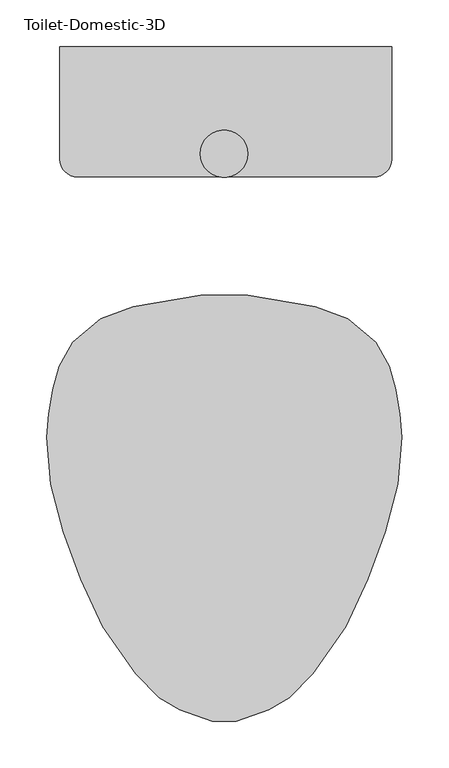
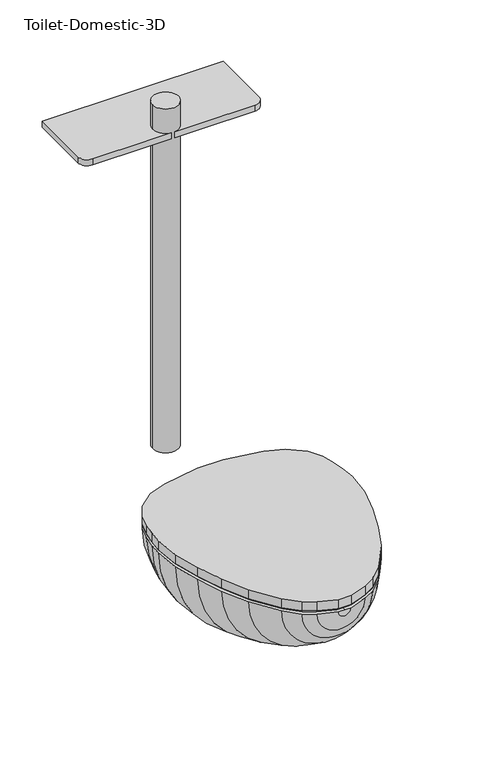
"""IFC4 building model written with IfcOpenShell, lengths in millimetres: flow terminal geometry, Toilet-Domestic-3D."""

from ifc_helpers import new_model, si_unit, point, frame, frame_2d, origin, place, context, project, spatial, polyline, circle_curve, trimmed, segment, composite_curve, outline, extrude, faceted_brep, source, transform, mapped, element, save
from ifc_brep_helpers import plane_surface, revolved_surface, advanced_brep


def toilet_domestic_3d_839705fe(model_context):
    return source(origin(), model_context, "Body", "SolidModel", [
        advanced_brep(
        [(-25.4, 152.4, 361.95), (-97.4252791, 139.7, 361.95), (-132.3182423, 127.0, 361.95), (-162.5887836, 101.6, 361.95), (-176.9845865, 76.2, 361.95), (-183.790496, 50.8, 361.95), (-188.2862441, 25.3033453, 361.95), (-190.5, 0.0, 361.95), (-186.0724883, -50.6066907, 361.95), (-172.4088722, -101.6, 361.95), (-153.9191843, -152.4, 361.95), (-130.2307553, -203.2, 361.95), (-94.9900085, -254.0, 361.95), (-69.5900085, -279.4, 361.95), (-47.5929632, -292.1, 361.95), (-12.7, -304.8, 361.95), (0.0, -304.8, 361.95), (0.0, -284.592034, 361.95), (-12.5224565, -284.592034, 361.95), (-39.5113323, -274.7688865, 361.95), (-58.4178985, -263.8531754, 361.95), (-79.2146703, -243.0564036, 361.95), (-114.0255101, -192.8761202, 361.95), (-136.654021, -144.3491221, 361.95), (-154.575847, -95.1093097, 361.95), (-167.7238545, -46.0402777, 361.95), (-171.5645445, -2.1409906, 361.95), (-169.3087351, 23.6430284, 361.95), (-165.101298, 47.5045901, 361.95), (-159.5484355, 68.2281551, 361.95), (-146.1085923, 90.5605136, 361.95), (-121.9980886, 110.7916284, 361.95), (-94.1172813, 120.9394123, 361.95), (-22.0920022, 133.6394123, 361.95), (0.0, 133.6394123, 361.95), (0.0, 152.4, 361.95), (25.4, 152.4, 361.95), (22.0920022, 133.6394123, 361.95), (94.1172813, 120.9394123, 361.95), (121.9980886, 110.7916284, 361.95), (146.1085923, 90.5605136, 361.95), (159.5484355, 68.2281551, 361.95), (165.101298, 47.5045901, 361.95), (169.3087351, 23.6430284, 361.95), (171.5645445, -2.1409906, 361.95), (167.7238545, -46.0402777, 361.95), (154.575847, -95.1093097, 361.95), (136.654021, -144.3491221, 361.95), (114.0255101, -192.8761202, 361.95), (79.2146703, -243.0564036, 361.95), (58.4178985, -263.8531754, 361.95), (39.5113323, -274.7688865, 361.95), (12.5224565, -284.592034, 361.95), (12.7, -304.8, 361.95), (47.5929632, -292.1, 361.95), (69.5900085, -279.4, 361.95), (94.9900085, -254.0, 361.95), (130.2307553, -203.2, 361.95), (153.9191843, -152.4, 361.95), (172.4088722, -101.6, 361.95), (186.0724883, -50.6066907, 361.95), (190.5, 0.0, 361.95), (188.2862441, 25.3033453, 361.95), (183.790496, 50.8, 361.95), (176.9845865, 76.2, 361.95), (162.5887836, 101.6, 361.95), (132.3182423, 127.0, 361.95), (97.4252791, 139.7, 361.95)],
        [
            (0, 1),
            (1, 2),
            (2, 3),
            (3, 4),
            (4, 5),
            (5, 6),
            (6, 7),
            (7, 8),
            (8, 9),
            (9, 10),
            (10, 11),
            (11, 12),
            (12, 13),
            (13, 14),
            (14, 15),
            (15, 16),
            (16, 17),
            (17, 18),
            (18, 19),
            (19, 20),
            (20, 21),
            (21, 22),
            (22, 23),
            (23, 24),
            (24, 25),
            (25, 26),
            (26, 27),
            (27, 28),
            (28, 29),
            (29, 30),
            (30, 31),
            (31, 32),
            (32, 33),
            (33, 34),
            (34, 35),
            (35, 0),
            (36, 35),
            (34, 37),
            (37, 38),
            (38, 39),
            (39, 40),
            (40, 41),
            (41, 42),
            (42, 43),
            (43, 44),
            (44, 45),
            (45, 46),
            (46, 47),
            (47, 48),
            (48, 49),
            (49, 50),
            (50, 51),
            (51, 52),
            (52, 17),
            (16, 53),
            (53, 54),
            (54, 55),
            (55, 56),
            (56, 57),
            (57, 58),
            (58, 59),
            (59, 60),
            (60, 61),
            (61, 62),
            (62, 63),
            (63, 64),
            (64, 65),
            (65, 66),
            (66, 67),
            (67, 36),
            (67, 1, circle_curve(frame((0.0, 139.7, 361.95), z_axis=(0.0, 1.0, 0.0), x_axis=(-1.0, 0.0, 0.0)), 97.4252791)),
            (0, 36, circle_curve(frame((0.0, 152.4, 361.95), z_axis=(0.0, -1.0, 0.0), x_axis=(-1.0, 0.0, 0.0)), 25.4)),
            (66, 2, circle_curve(frame((0.0, 127.0, 361.95), z_axis=(0.0, 1.0, 0.0), x_axis=(-1.0, 0.0, 0.0)), 132.3182423)),
            (65, 3, circle_curve(frame((0.0, 101.6, 361.95), z_axis=(0.0, 1.0, 0.0), x_axis=(-1.0, 0.0, 0.0)), 162.5887836)),
            (64, 4, circle_curve(frame((0.0, 76.2, 361.95), z_axis=(0.0, 1.0, 0.0), x_axis=(-1.0, 0.0, 0.0)), 176.9845865)),
            (63, 5, circle_curve(frame((0.0, 50.8, 361.95), z_axis=(0.0, 1.0, 0.0), x_axis=(-1.0, 0.0, 0.0)), 183.790496)),
            (62, 6, circle_curve(frame((0.0, 25.3033453, 361.95), z_axis=(0.0, 1.0, 0.0), x_axis=(-1.0, 0.0, 0.0)), 188.2862441)),
            (61, 7, circle_curve(frame((0.0, 0.0, 361.95), z_axis=(0.0, 1.0, 0.0), x_axis=(-1.0, 0.0, 0.0)), 190.5)),
            (60, 8, circle_curve(frame((0.0, -50.6066907, 361.95), z_axis=(0.0, 1.0, 0.0), x_axis=(-1.0, 0.0, 0.0)), 186.0724883)),
            (59, 9, circle_curve(frame((0.0, -101.6, 361.95), z_axis=(0.0, 1.0, 0.0), x_axis=(-1.0, 0.0, 0.0)), 172.4088722)),
            (58, 10, circle_curve(frame((0.0, -152.4, 361.95), z_axis=(0.0, 1.0, 0.0), x_axis=(-1.0, 0.0, 0.0)), 153.9191843)),
            (57, 11, circle_curve(frame((0.0, -203.2, 361.95), z_axis=(0.0, 1.0, 0.0), x_axis=(-1.0, 0.0, 0.0)), 130.2307553)),
            (56, 12, circle_curve(frame((0.0, -254.0, 361.95), z_axis=(0.0, 1.0, 0.0), x_axis=(-1.0, 0.0, 0.0)), 94.9900085)),
            (55, 13, circle_curve(frame((0.0, -279.4, 361.95), z_axis=(0.0, 1.0, 0.0), x_axis=(-1.0, 0.0, 0.0)), 69.5900085)),
            (54, 14, circle_curve(frame((0.0, -292.1, 361.95), z_axis=(0.0, 1.0, 0.0), x_axis=(-1.0, 0.0, 0.0)), 47.5929632)),
            (53, 15, circle_curve(frame((0.0, -304.8, 361.95), z_axis=(0.0, 1.0, 0.0), x_axis=(-1.0, 0.0, 0.0)), 12.7)),
            (52, 18, circle_curve(frame((0.0, -284.592034, 361.95), z_axis=(0.0, 1.0, 0.0), x_axis=(-1.0, 0.0, 0.0)), 12.5224565)),
            (51, 19, circle_curve(frame((0.0, -274.7688865, 361.95), z_axis=(0.0, 1.0, 0.0), x_axis=(-1.0, 0.0, 0.0)), 39.5113323)),
            (50, 20, circle_curve(frame((0.0, -263.8531754, 361.95), z_axis=(0.0, 1.0, 0.0), x_axis=(-1.0, 0.0, 0.0)), 58.4178985)),
            (49, 21, circle_curve(frame((0.0, -243.0564036, 361.95), z_axis=(0.0, 1.0, 0.0), x_axis=(-1.0, 0.0, 0.0)), 79.2146703)),
            (48, 22, circle_curve(frame((0.0, -192.8761202, 361.95), z_axis=(0.0, 1.0, 0.0), x_axis=(-1.0, 0.0, 0.0)), 114.0255101)),
            (47, 23, circle_curve(frame((0.0, -144.3491221, 361.95), z_axis=(0.0, 1.0, 0.0), x_axis=(-1.0, 0.0, 0.0)), 136.654021)),
            (46, 24, circle_curve(frame((0.0, -95.1093097, 361.95), z_axis=(0.0, 1.0, 0.0), x_axis=(-1.0, 0.0, 0.0)), 154.575847)),
            (45, 25, circle_curve(frame((0.0, -46.0402777, 361.95), z_axis=(0.0, 1.0, 0.0), x_axis=(-1.0, 0.0, 0.0)), 167.7238545)),
            (44, 26, circle_curve(frame((0.0, -2.1409906, 361.95), z_axis=(0.0, 1.0, 0.0), x_axis=(-1.0, 0.0, 0.0)), 171.5645445)),
            (43, 27, circle_curve(frame((0.0, 23.6430284, 361.95), z_axis=(0.0, 1.0, 0.0), x_axis=(-1.0, 0.0, 0.0)), 169.3087351)),
            (42, 28, circle_curve(frame((0.0, 47.5045901, 361.95), z_axis=(0.0, 1.0, 0.0), x_axis=(-1.0, 0.0, 0.0)), 165.101298)),
            (41, 29, circle_curve(frame((0.0, 68.2281551, 361.95), z_axis=(0.0, 1.0, 0.0), x_axis=(-1.0, 0.0, 0.0)), 159.5484355)),
            (40, 30, circle_curve(frame((0.0, 90.5605136, 361.95), z_axis=(0.0, 1.0, 0.0), x_axis=(-1.0, 0.0, 0.0)), 146.1085923)),
            (39, 31, circle_curve(frame((0.0, 110.7916284, 361.95), z_axis=(0.0, 1.0, 0.0), x_axis=(-1.0, 0.0, 0.0)), 121.9980886)),
            (38, 32, circle_curve(frame((0.0, 120.9394123, 361.95), z_axis=(0.0, 1.0, 0.0), x_axis=(-1.0, 0.0, 0.0)), 94.1172813)),
            (37, 33, circle_curve(frame((0.0, 133.6394123, 361.95), z_axis=(0.0, 1.0, 0.0), x_axis=(-1.0, 0.0, 0.0)), 22.0920022)),
        ],
        [
            plane_surface(frame((0.0, 175.1599017, 361.95), z_axis=(0.0, 0.0, 1.0), x_axis=(-1.0, 0.0, 0.0))),
            plane_surface(frame((0.0, 175.1599017, 361.95), z_axis=(0.0, 0.0, 1.0), x_axis=(1.0, 0.0, 0.0))),
            revolved_surface(polyline([(-25.4, 152.4, 361.95), (-97.4252791, 139.7, 361.95)]), (0.0, 175.1599017, 361.95), (0.0, -1.0, 0.0)),
            revolved_surface(polyline([(-97.4252791, 139.7, 361.95), (-132.3182423, 127.0, 361.95)]), (0.0, 175.1599017, 361.95), (0.0, -1.0, 0.0)),
            revolved_surface(polyline([(-132.3182423, 127.0, 361.95), (-162.5887836, 101.6, 361.95)]), (0.0, 175.1599017, 361.95), (0.0, -1.0, 0.0)),
            revolved_surface(polyline([(-162.5887836, 101.6, 361.95), (-176.9845865, 76.2, 361.95)]), (0.0, 175.1599017, 361.95), (0.0, -1.0, 0.0)),
            revolved_surface(polyline([(-176.9845865, 76.2, 361.95), (-183.790496, 50.8, 361.95)]), (0.0, 175.1599017, 361.95), (0.0, -1.0, 0.0)),
            revolved_surface(polyline([(-183.790496, 50.8, 361.95), (-188.2862441, 25.3033453, 361.95)]), (0.0, 175.1599017, 361.95), (0.0, -1.0, 0.0)),
            revolved_surface(polyline([(-188.2862441, 25.3033453, 361.95), (-190.5, 0.0, 361.95)]), (0.0, 175.1599017, 361.95), (0.0, -1.0, 0.0)),
            revolved_surface(polyline([(-190.5, 0.0, 361.95), (-186.0724883, -50.6066907, 361.95)]), (0.0, 175.1599017, 361.95), (0.0, -1.0, 0.0)),
            revolved_surface(polyline([(-186.0724883, -50.6066907, 361.95), (-172.4088722, -101.6, 361.95)]), (0.0, 175.1599017, 361.95), (0.0, -1.0, 0.0)),
            revolved_surface(polyline([(-172.4088722, -101.6, 361.95), (-153.9191843, -152.4, 361.95)]), (0.0, 175.1599017, 361.95), (0.0, -1.0, 0.0)),
            revolved_surface(polyline([(-153.9191843, -152.4, 361.95), (-130.2307553, -203.2, 361.95)]), (0.0, 175.1599017, 361.95), (0.0, -1.0, 0.0)),
            revolved_surface(polyline([(-130.2307553, -203.2, 361.95), (-94.9900085, -254.0, 361.95)]), (0.0, 175.1599017, 361.95), (0.0, -1.0, 0.0)),
            revolved_surface(polyline([(-94.9900085, -254.0, 361.95), (-69.5900085, -279.4, 361.95)]), (0.0, 175.1599017, 361.95), (0.0, -1.0, 0.0)),
            revolved_surface(polyline([(-69.5900085, -279.4, 361.95), (-47.5929632, -292.1, 361.95)]), (0.0, 175.1599017, 361.95), (0.0, -1.0, 0.0)),
            revolved_surface(polyline([(-47.5929632, -292.1, 361.95), (-12.7, -304.8, 361.95)]), (0.0, 175.1599017, 361.95), (0.0, -1.0, 0.0)),
            plane_surface(frame((0.0, -304.8, 361.95), z_axis=(0.0, -1.0, 0.0), x_axis=(-1.0, 0.0, 0.0))),
            plane_surface(frame((0.0, -284.592034, 361.95), z_axis=(0.0, 1.0, 0.0), x_axis=(-1.0, 0.0, 0.0))),
            revolved_surface(polyline([(-12.5224565, -284.592034, 361.95), (-39.5113323, -274.7688865, 361.95)]), (0.0, 175.1599017, 361.95), (0.0, -1.0, 0.0)),
            revolved_surface(polyline([(-39.5113323, -274.7688865, 361.95), (-58.4178985, -263.8531754, 361.95)]), (0.0, 175.1599017, 361.95), (0.0, -1.0, 0.0)),
            revolved_surface(polyline([(-58.4178985, -263.8531754, 361.95), (-79.2146703, -243.0564036, 361.95)]), (0.0, 175.1599017, 361.95), (0.0, -1.0, 0.0)),
            revolved_surface(polyline([(-79.2146703, -243.0564036, 361.95), (-114.0255101, -192.8761202, 361.95)]), (0.0, 175.1599017, 361.95), (0.0, -1.0, 0.0)),
            revolved_surface(polyline([(-114.0255101, -192.8761202, 361.95), (-136.654021, -144.3491221, 361.95)]), (0.0, 175.1599017, 361.95), (0.0, -1.0, 0.0)),
            revolved_surface(polyline([(-136.654021, -144.3491221, 361.95), (-154.575847, -95.1093097, 361.95)]), (0.0, 175.1599017, 361.95), (0.0, -1.0, 0.0)),
            revolved_surface(polyline([(-154.575847, -95.1093097, 361.95), (-167.7238545, -46.0402777, 361.95)]), (0.0, 175.1599017, 361.95), (0.0, -1.0, 0.0)),
            revolved_surface(polyline([(-167.7238545, -46.0402777, 361.95), (-171.5645445, -2.1409906, 361.95)]), (0.0, 175.1599017, 361.95), (0.0, -1.0, 0.0)),
            revolved_surface(polyline([(-171.5645445, -2.1409906, 361.95), (-169.3087351, 23.6430284, 361.95)]), (0.0, 175.1599017, 361.95), (0.0, -1.0, 0.0)),
            revolved_surface(polyline([(-169.3087351, 23.6430284, 361.95), (-165.101298, 47.5045901, 361.95)]), (0.0, 175.1599017, 361.95), (0.0, -1.0, 0.0)),
            revolved_surface(polyline([(-165.101298, 47.5045901, 361.95), (-159.5484355, 68.2281551, 361.95)]), (0.0, 175.1599017, 361.95), (0.0, -1.0, 0.0)),
            revolved_surface(polyline([(-159.5484355, 68.2281551, 361.95), (-146.1085923, 90.5605136, 361.95)]), (0.0, 175.1599017, 361.95), (0.0, -1.0, 0.0)),
            revolved_surface(polyline([(-146.1085923, 90.5605136, 361.95), (-121.9980886, 110.7916284, 361.95)]), (0.0, 175.1599017, 361.95), (0.0, -1.0, 0.0)),
            revolved_surface(polyline([(-121.9980886, 110.7916284, 361.95), (-94.1172813, 120.9394123, 361.95)]), (0.0, 175.1599017, 361.95), (0.0, -1.0, 0.0)),
            revolved_surface(polyline([(-94.1172813, 120.9394123, 361.95), (-22.0920022, 133.6394123, 361.95)]), (0.0, 175.1599017, 361.95), (0.0, -1.0, 0.0)),
            plane_surface(frame((0.0, 133.6394123, 361.95), z_axis=(0.0, -1.0, 0.0), x_axis=(-1.0, 0.0, 0.0))),
            plane_surface(frame((0.0, 152.4, 361.95), z_axis=(0.0, 1.0, 0.0), x_axis=(-1.0, 0.0, 0.0))),
        ],
        [
            (0, [[1, 2, 3, 4, 5, 6, 7, 8, 9, 10, 11, 12, 13, 14, 15, 16, 17, 18, 19, 20, 21, 22, 23, 24, 25, 26, 27, 28, 29, 30, 31, 32, 33, 34, 35, 36]]),
            (1, [[37, -35, 38, 39, 40, 41, 42, 43, 44, 45, 46, 47, 48, 49, 50, 51, 52, 53, 54, -17, 55, 56, 57, 58, 59, 60, 61, 62, 63, 64, 65, 66, 67, 68, 69, 70]]),
            (2, [[71, -1, 72, -70]]),
            (3, [[73, -2, -71, -69]]),
            (4, [[74, -3, -73, -68]]),
            (5, [[75, -4, -74, -67]]),
            (6, [[76, -5, -75, -66]]),
            (7, [[77, -6, -76, -65]]),
            (8, [[78, -7, -77, -64]]),
            (9, [[79, -8, -78, -63]]),
            (10, [[80, -9, -79, -62]]),
            (11, [[81, -10, -80, -61]]),
            (12, [[82, -11, -81, -60]]),
            (13, [[83, -12, -82, -59]]),
            (14, [[84, -13, -83, -58]]),
            (15, [[85, -14, -84, -57]]),
            (16, [[86, -15, -85, -56]]),
            (17, [[-16, -86, -55]]),
            (18, [[87, -18, -54]]),
            (19, [[88, -19, -87, -53]]),
            (20, [[89, -20, -88, -52]]),
            (21, [[90, -21, -89, -51]]),
            (22, [[91, -22, -90, -50]]),
            (23, [[92, -23, -91, -49]]),
            (24, [[93, -24, -92, -48]]),
            (25, [[94, -25, -93, -47]]),
            (26, [[95, -26, -94, -46]]),
            (27, [[96, -27, -95, -45]]),
            (28, [[97, -28, -96, -44]]),
            (29, [[98, -29, -97, -43]]),
            (30, [[99, -30, -98, -42]]),
            (31, [[100, -31, -99, -41]]),
            (32, [[101, -32, -100, -40]]),
            (33, [[102, -33, -101, -39]]),
            (34, [[-34, -102, -38]]),
            (35, [[-72, -36, -37]]),
        ],
    ),
        faceted_brep([(-97.4252791, 139.7, 368.3), (-132.3182423, 127.0, 368.3), (-162.5887836, 101.6, 368.3), (-176.9845865, 76.2, 368.3), (-183.790496, 50.8, 368.3), (-188.2862441, 25.3033453, 368.3), (-190.5, 0.0, 368.3), (-186.0724883, -50.6066907, 368.3), (-172.4088722, -101.6, 368.3), (-153.9191843, -152.4, 368.3), (-130.2307553, -203.2, 368.3), (-94.9900085, -254.0, 368.3), (-69.5900085, -279.4, 368.3), (-47.5929632, -292.1, 368.3), (-12.7, -304.8, 368.3), (12.7, -304.8, 368.3), (47.5929632, -292.1, 368.3), (69.5900085, -279.4, 368.3), (94.9900085, -254.0, 368.3), (130.2307553, -203.2, 368.3), (153.9191843, -152.4, 368.3), (172.4088722, -101.6, 368.3), (186.0724883, -50.6066907, 368.3), (190.5, 0.0, 368.3), (188.2862441, 25.3033453, 368.3), (183.790496, 50.8, 368.3), (176.9845865, 76.2, 368.3), (162.5887836, 101.6, 368.3), (132.3182423, 127.0, 368.3), (97.4252791, 139.7, 368.3), (25.4, 152.4, 368.3), (-25.4, 152.4, 368.3), (-95.7755003, 133.5429415, 361.95), (-24.844447, 146.05, 361.95), (24.844447, 146.05, 361.95), (95.7755003, 133.5429415, 361.95), (129.0942628, 121.4159037, 361.95), (157.6293435, 97.472128, 361.95), (171.060664, 73.773864, 361.95), (177.5851102, 49.4242991, 361.95), (181.9845715, 24.4737144, 361.95), (184.125744, 0.0, 361.95), (179.7950716, -49.4998127, 361.95), (166.347, -99.688699, 361.95), (148.0469602, -149.9676451, 361.95), (124.7045808, -200.0255393, 361.95), (90.0971582, -249.9125941, 361.95), (65.691017, -274.3187354, 361.95), (44.8990862, -286.3229622, 361.95), (11.5803237, -298.45, 361.95), (-11.5803237, -298.45, 361.95), (-44.8990862, -286.3229622, 361.95), (-65.691017, -274.3187354, 361.95), (-90.0971582, -249.9125941, 361.95), (-124.7045808, -200.0255393, 361.95), (-148.0469602, -149.9676451, 361.95), (-166.347, -99.688699, 361.95), (-179.7950716, -49.4998127, 361.95), (-184.125744, 0.0, 361.95), (-181.9845715, 24.4737144, 361.95), (-177.5851102, 49.4242991, 361.95), (-171.060664, 73.773864, 361.95), (-157.6293435, 97.472128, 361.95), (-129.0942628, 121.4159037, 361.95)], [[[0, 1, 2, 3, 4, 5, 6, 7, 8, 9, 10, 11, 12, 13, 14, 15, 16, 17, 18, 19, 20, 21, 22, 23, 24, 25, 26, 27, 28, 29, 30, 31]], [[32, 33, 34, 35, 36, 37, 38, 39, 40, 41, 42, 43, 44, 45, 46, 47, 48, 49, 50, 51, 52, 53, 54, 55, 56, 57, 58, 59, 60, 61, 62, 63]], [[32, 63, 1, 0]], [[63, 62, 2, 1]], [[62, 61, 3, 2]], [[61, 60, 4, 3]], [[60, 59, 5, 4]], [[59, 58, 6, 5]], [[58, 57, 7, 6]], [[57, 56, 8, 7]], [[56, 55, 9, 8]], [[55, 54, 10, 9]], [[54, 53, 11, 10]], [[53, 52, 12, 11]], [[52, 51, 13, 12]], [[51, 50, 14, 13]], [[50, 49, 15, 14]], [[49, 48, 16, 15]], [[48, 47, 17, 16]], [[47, 46, 18, 17]], [[46, 45, 19, 18]], [[45, 44, 20, 19]], [[44, 43, 21, 20]], [[43, 42, 22, 21]], [[42, 41, 23, 22]], [[41, 40, 24, 23]], [[40, 39, 25, 24]], [[39, 38, 26, 25]], [[38, 37, 27, 26]], [[37, 36, 28, 27]], [[36, 35, 29, 28]], [[35, 34, 30, 29]], [[34, 33, 31, 30]], [[33, 32, 0, 31]]]),
        extrude(outline(composite_curve([segment(polyline([(179.3875, 418.6794733), (179.3875, 298.0294733)]), True, "CONTINUOUS"), segment(trimmed(circle_curve(frame_2d((160.3375, 298.0294733)), 19.05), [point((179.3875, 298.0294733))], [point((160.3375, 278.9794733))], False, "CARTESIAN"), True, "CONTINUOUS"), segment(polyline([(160.3375, 278.9794733), (-157.1625, 278.9794733)]), True, "CONTINUOUS"), segment(trimmed(circle_curve(frame_2d((-157.1625, 298.0294733)), 19.05), [point((-157.1625, 278.9794733))], [point((-176.2125, 298.0294733))], False, "CARTESIAN"), True, "CONTINUOUS"), segment(polyline([(-176.2125, 298.0294733), (-176.2125, 418.6794733), (179.3875, 418.6794733)]), True, "CONTINUOUS")], self_intersect=False)), frame((0.0, 0.0, 986.4230962), z_axis=(0.0, 0.0, 1.0), x_axis=(1.0, 0.0, 0.0)), (0.0, 0.0, 1.0), 12.5681453),
        extrude(outline(polyline([(-162.5887836, 101.6), (-132.3182423, 127.0), (-97.4252791, 139.7), (-25.4, 152.4), (25.4, 152.4), (97.4252791, 139.7), (132.3182423, 127.0), (162.5887836, 101.6), (176.9845865, 76.2), (183.790496, 50.8), (188.2862441, 25.3033453), (190.5, 0.0), (186.0724883, -50.6066907), (172.4088722, -101.6), (153.9191843, -152.4), (130.2307553, -203.2), (94.9900085, -254.0), (69.5900085, -279.4), (47.5929632, -292.1), (12.7, -304.8), (-12.7, -304.8), (-47.5929632, -292.1), (-69.5900085, -279.4), (-94.9900085, -254.0), (-130.2307553, -203.2), (-153.9191843, -152.4), (-172.4088722, -101.6), (-186.0724883, -50.6066907), (-190.5, 0.0), (-188.2862441, 25.3033453), (-183.790496, 50.8), (-176.9845865, 76.2), (-162.5887836, 101.6)])), frame((0.0, 0.0, 368.3), z_axis=(0.0, 0.0, 1.0), x_axis=(1.0, 0.0, 0.0)), (0.0, 0.0, 1.0), 19.05),
        extrude(outline(composite_curve([segment(trimmed(circle_curve(frame_2d((-0.1547177, 303.880352)), 25.4), [point((-25.5547177, 303.880352))], [point((25.2452823, 303.880352))], False, "CARTESIAN"), True, "CONTINUOUS"), segment(trimmed(circle_curve(frame_2d((-0.1547177, 303.880352)), 25.4), [point((25.2452823, 303.880352))], [point((-25.5547177, 303.880352))], False, "CARTESIAN"), True, "CONTINUOUS")], self_intersect=False)), frame((0.0, 0.0, 336.55), z_axis=(0.0, 0.0, 1.0), x_axis=(1.0, 0.0, 0.0)), (0.0, 0.0, 1.0), 713.3730962),
    ])


if __name__ == "__main__":
    model = new_model("IFC4")
    model_context = context("Model", 3, world=origin())
    ifc_project = project(units=[si_unit("LENGTHUNIT", "METRE", prefix="MILLI")], contexts=[model_context])
    site = spatial("IfcSite", under=ifc_project)
    building = spatial("IfcBuilding", under=site)
    placement = place(None, origin())
    toilet_domestic_3d_shape = toilet_domestic_3d_839705fe(model_context)
    element("IfcFlowTerminal", 1, ObjectType="Toilet-Domestic-3D", at=placement, inside=building, context=model_context, shape_type="MappedRepresentation", body=[
        mapped(toilet_domestic_3d_shape, transform((0.0, 0.0, 0.0), x_axis=(1.0, 0.0, 0.0), y_axis=(0.0, 1.0, 0.0), z_axis=(0.0, 0.0, 1.0))),
    ])
    save(model, "model.ifc")
